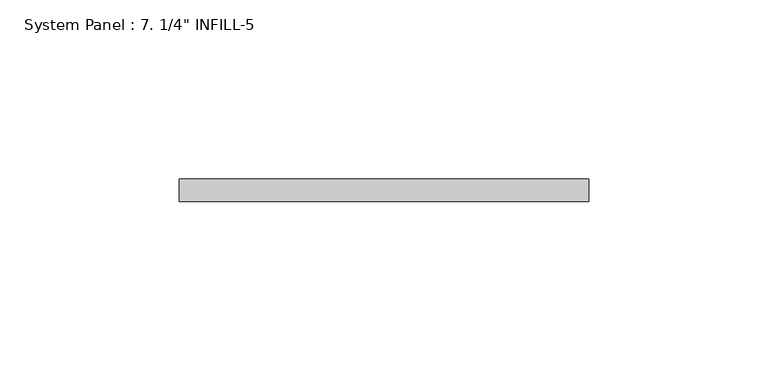
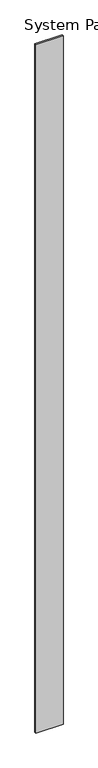
"""IFC4 building model written with IfcOpenShell, lengths in millimetres: plate geometry."""

from ifc_helpers import new_model, si_unit, origin, origin_with_axes, place, context, project, spatial, polyline, outline, extrude, source, transform, mapped, element, save


def plate_00fcf5e5(model_context):
    return source(origin(), model_context, "Body", "SweptSolid", [
        extrude(outline(polyline([(57.15, -6.2507813), (-57.15, -6.2507813), (-57.15, 0.0992187), (57.15, 0.0992187), (57.15, -6.2507813)])), origin_with_axes(), (0.0, 0.0, 1.0), 3048.0),
    ])


if __name__ == "__main__":
    model = new_model("IFC4")
    model_context = context("Model", 3, world=origin())
    ifc_project = project(units=[si_unit("LENGTHUNIT", "METRE", prefix="MILLI")], contexts=[model_context])
    site = spatial("IfcSite", under=ifc_project)
    building = spatial("IfcBuilding", under=site)
    placement = place(None, origin())
    plate_shape = plate_00fcf5e5(model_context)
    element("IfcPlate", 1, ObjectType="System Panel : 7. 1/4\" INFILL-5", at=placement, inside=building, context=model_context, shape_type="MappedRepresentation", body=[
        mapped(plate_shape, transform((0.0, 0.0, 0.0), x_axis=(1.0, 0.0, 0.0), y_axis=(0.0, 1.0, 0.0), z_axis=(0.0, 0.0, 1.0))),
    ])
    save(model, "model.ifc")
